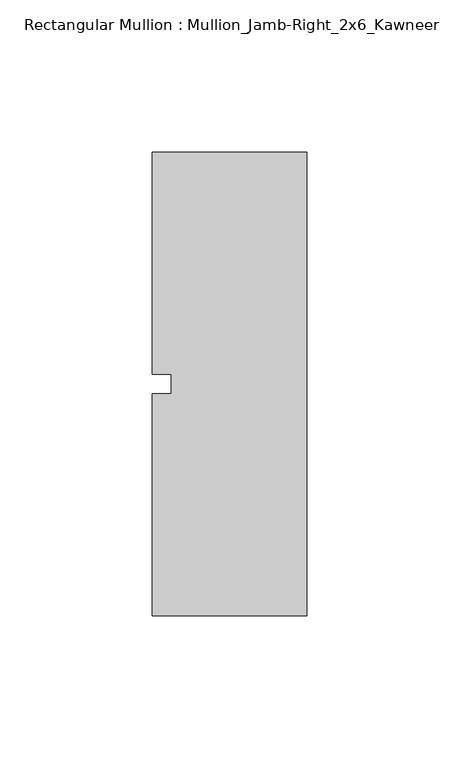
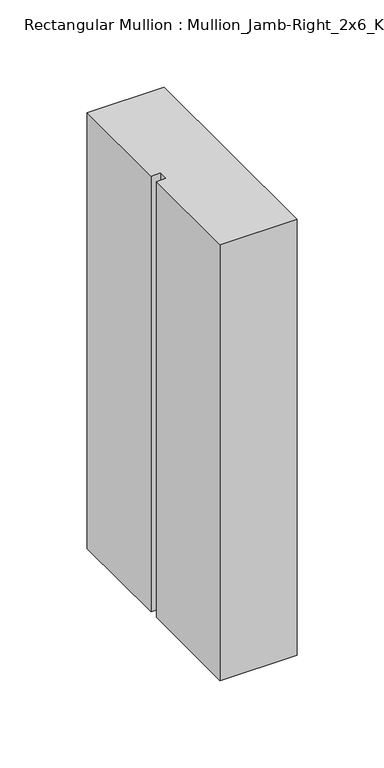
"""IFC4 building model written with IfcOpenShell, lengths in millimetres: member geometry, Rectangular Mullion : Mullion_Jamb-Right_2x6_Kawneer."""

from ifc_helpers import new_model, si_unit, frame, origin, place, context, project, spatial, polyline, outline, extrude, source, transform, mapped, element, save


def rectangular_mullion_mullion_jamb_right_2x6_kawneer_63c821c4(model_context):
    return source(origin(), model_context, "Body", "SweptSolid", [
        extrude(outline(polyline([(-50.8, 76.2), (0.0, 76.2), (0.0, -76.2), (-50.8, -76.2), (-50.8, -3.175), (-44.45, -3.175), (-44.45, 3.175), (-50.8, 3.175), (-50.8, 76.2)])), frame((0.0, 0.0, -304.8), z_axis=(0.0, 0.0, 1.0), x_axis=(1.0, 0.0, 0.0)), (0.0, 0.0, 1.0), 304.8),
    ])


if __name__ == "__main__":
    model = new_model("IFC4")
    model_context = context("Model", 3, world=origin())
    ifc_project = project(units=[si_unit("LENGTHUNIT", "METRE", prefix="MILLI")], contexts=[model_context])
    site = spatial("IfcSite", under=ifc_project)
    building = spatial("IfcBuilding", under=site)
    placement = place(None, origin())
    rectangular_mullion_mullion_jamb_right_2x6_kawneer_shape = rectangular_mullion_mullion_jamb_right_2x6_kawneer_63c821c4(model_context)
    element("IfcMember", 1, ObjectType="Rectangular Mullion : Mullion_Jamb-Right_2x6_Kawneer", at=placement, inside=building, context=model_context, shape_type="MappedRepresentation", body=[
        mapped(rectangular_mullion_mullion_jamb_right_2x6_kawneer_shape, transform((0.0, 0.0, 0.0), x_axis=(1.0, 0.0, 0.0), y_axis=(0.0, 1.0, 0.0), z_axis=(0.0, 0.0, 1.0))),
    ])
    save(model, "model.ifc")
